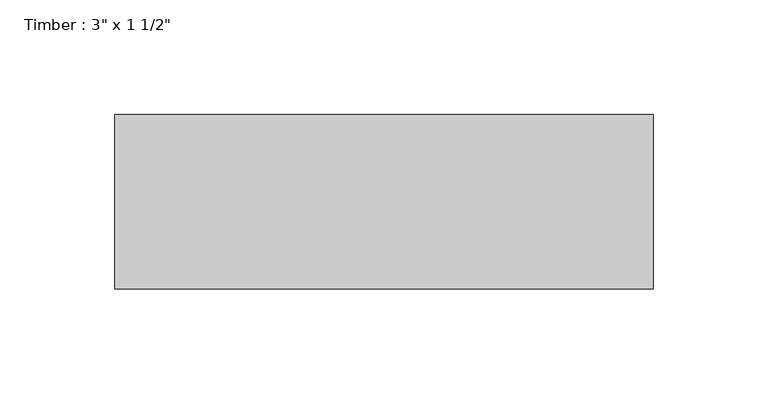
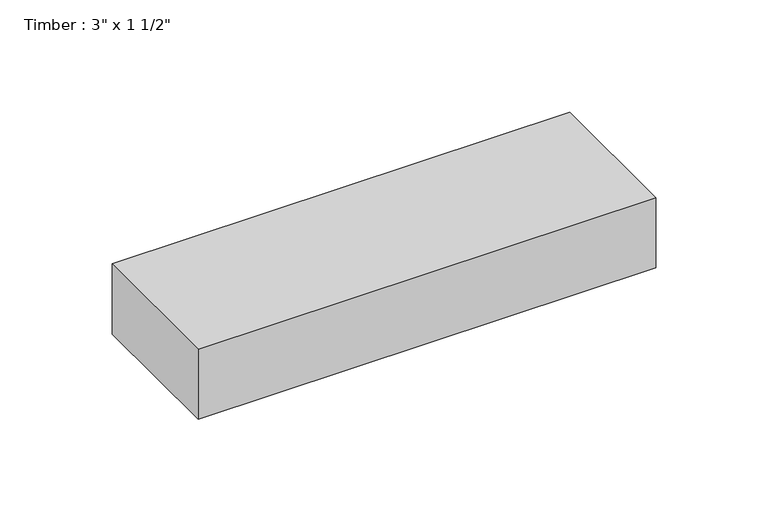
"""IFC4 building model written with IfcOpenShell, lengths in millimetres: beam geometry."""

from ifc_helpers import new_model, si_unit, frame, origin, place, context, project, spatial, polyline, outline, extrude, source, transform, mapped, element, save


def beam_18191657(model_context):
    return source(origin(), model_context, "Body", "SweptSolid", [
        extrude(outline(polyline([(117.475, 38.1), (117.475, -38.1), (-117.475, -38.1), (-117.475, 38.1), (117.475, 38.1)])), frame((0.0, 0.0, -19.05), z_axis=(0.0, 0.0, 1.0), x_axis=(1.0, 0.0, 0.0)), (0.0, 0.0, 1.0), 38.1),
    ])


if __name__ == "__main__":
    model = new_model("IFC4")
    model_context = context("Model", 3, world=origin())
    ifc_project = project(units=[si_unit("LENGTHUNIT", "METRE", prefix="MILLI")], contexts=[model_context])
    site = spatial("IfcSite", under=ifc_project)
    building = spatial("IfcBuilding", under=site)
    placement = place(None, origin())
    beam_shape = beam_18191657(model_context)
    element("IfcBeam", 1, ObjectType="Timber : 3\" x 1 1/2\"", at=placement, inside=building, context=model_context, shape_type="MappedRepresentation", body=[
        mapped(beam_shape, transform((0.0, 0.0, 0.0), x_axis=(1.0, 0.0, 0.0), y_axis=(0.0, 1.0, 0.0), z_axis=(0.0, 0.0, 1.0))),
    ])
    save(model, "model.ifc")
